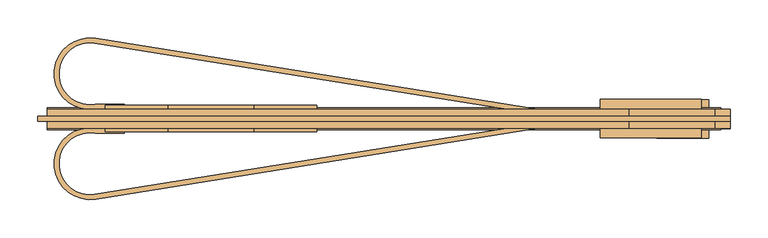
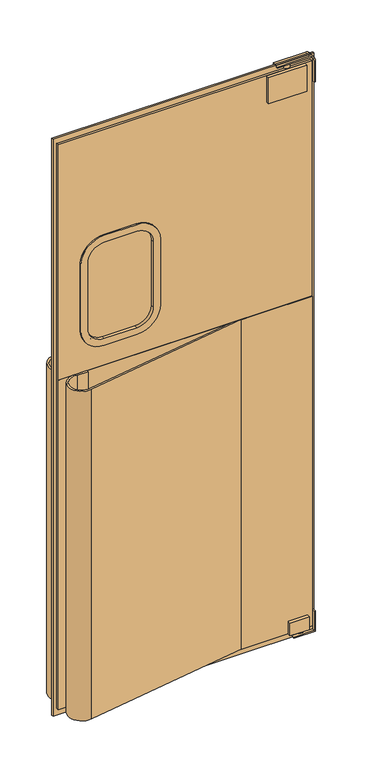
"""IFC4 building model written with IfcOpenShell, lengths in millimetres: door geometry."""

from ifc_helpers import new_model, si_unit, point, frame, frame_2d, origin, place, context, project, spatial, polyline, circle_curve, trimmed, segment, composite_curve, outline, extrude, source, transform, mapped, element, save
from ifc_brep_helpers import plane_surface, cylinder_surface, advanced_brep


def door_69798aff(model_context):
    return source(origin(), model_context, "Body", "SolidModel", [
        extrude(outline(composite_curve([segment(trimmed(circle_curve(frame_2d((1644.65, -273.05)), 82.55), [point((1727.2, -273.05))], [point((1644.65, -355.6))], False, "CARTESIAN"), True, "CONTINUOUS"), segment(polyline([(1644.65, -355.6), (1403.35, -355.6)]), True, "CONTINUOUS"), segment(trimmed(circle_curve(frame_2d((1403.35, -273.05)), 82.55), [point((1403.35, -355.6))], [point((1320.8, -273.05))], False, "CARTESIAN"), True, "CONTINUOUS"), segment(polyline([(1320.8, -273.05), (1320.8, -158.75)]), True, "CONTINUOUS"), segment(trimmed(circle_curve(frame_2d((1403.35, -158.75)), 82.55), [point((1320.8, -158.75))], [point((1403.35, -76.2))], False, "CARTESIAN"), True, "CONTINUOUS"), segment(polyline([(1403.35, -76.2), (1644.65, -76.2)]), True, "CONTINUOUS"), segment(trimmed(circle_curve(frame_2d((1644.65, -158.75)), 82.55), [point((1644.65, -76.2))], [point((1727.2, -158.75))], False, "CARTESIAN"), True, "CONTINUOUS"), segment(polyline([(1727.2, -158.75), (1727.2, -273.05)]), True, "CONTINUOUS")], self_intersect=False), holes=[composite_curve([segment(trimmed(circle_curve(frame_2d((1644.65, -273.05)), 57.15), [point((1644.65, -330.2))], [point((1701.8, -273.05))], True, "CARTESIAN"), True, "CONTINUOUS"), segment(polyline([(1701.8, -273.05), (1701.8, -158.75)]), True, "CONTINUOUS"), segment(trimmed(circle_curve(frame_2d((1644.65, -158.75)), 57.15), [point((1701.8, -158.75))], [point((1644.65, -101.6))], True, "CARTESIAN"), True, "CONTINUOUS"), segment(polyline([(1644.65, -101.6), (1403.35, -101.6)]), True, "CONTINUOUS"), segment(trimmed(circle_curve(frame_2d((1403.35, -158.75)), 57.15), [point((1403.35, -101.6))], [point((1346.2, -158.75))], True, "CARTESIAN"), True, "CONTINUOUS"), segment(polyline([(1346.2, -158.75), (1346.2, -273.05)]), True, "CONTINUOUS"), segment(trimmed(circle_curve(frame_2d((1403.35, -273.05)), 57.15), [point((1346.2, -273.05))], [point((1403.35, -330.2))], True, "CARTESIAN"), True, "CONTINUOUS"), segment(polyline([(1403.35, -330.2), (1644.65, -330.2)]), True, "CONTINUOUS")], self_intersect=False)]), frame((0.0, -27.3403808, 0.0), z_axis=(0.0, 1.0, 0.0), x_axis=(0.0, 0.0, 1.0)), (0.0, 0.0, 1.0), 34.925),
        extrude(outline(composite_curve([segment(trimmed(circle_curve(frame_2d((1403.35, -273.05)), 57.15), [point((1403.35, -330.2))], [point((1346.2, -273.05))], False, "CARTESIAN"), True, "CONTINUOUS"), segment(polyline([(1346.2, -273.05), (1346.2, -158.75)]), True, "CONTINUOUS"), segment(trimmed(circle_curve(frame_2d((1403.35, -158.75)), 57.15), [point((1346.2, -158.75))], [point((1403.35, -101.6))], False, "CARTESIAN"), True, "CONTINUOUS"), segment(polyline([(1403.35, -101.6), (1644.65, -101.6)]), True, "CONTINUOUS"), segment(trimmed(circle_curve(frame_2d((1644.65, -158.75)), 57.15), [point((1644.65, -101.6))], [point((1701.8, -158.75))], False, "CARTESIAN"), True, "CONTINUOUS"), segment(polyline([(1701.8, -158.75), (1701.8, -273.05)]), True, "CONTINUOUS"), segment(trimmed(circle_curve(frame_2d((1644.65, -273.05)), 57.15), [point((1701.8, -273.05))], [point((1644.65, -330.2))], False, "CARTESIAN"), True, "CONTINUOUS"), segment(polyline([(1644.65, -330.2), (1403.35, -330.2)]), True, "CONTINUOUS")], self_intersect=False)), frame((0.0, -16.2278808, 0.0), z_axis=(0.0, 1.0, 0.0), x_axis=(0.0, 0.0, 1.0)), (0.0, 0.0, 1.0), 12.7),
        extrude(outline(composite_curve([segment(polyline([(-369.3028232, -109.7397743), (175.6910199, -22.5778808), (215.9, -22.5778808), (-368.3, -116.0100889)]), True, "CONTINUOUS"), segment(trimmed(circle_curve(frame_2d((-375.7713947, -69.2939848)), 47.3097888), [point((-368.3, -116.0100889))], [point((-368.3, -22.5778808))], False, "CARTESIAN"), True, "CONTINUOUS"), segment(polyline([(-368.3, -22.5778808), (-330.2, -22.5778808), (-330.2, -28.9278808), (-368.8228738, -28.9278808)]), True, "CONTINUOUS"), segment(trimmed(circle_curve(frame_2d((-375.7713947, -69.2939848)), 40.9597888), [point((-368.8228738, -28.9278808))], [point((-369.3028232, -109.7397743))], True, "CARTESIAN"), True, "CONTINUOUS")], self_intersect=False)), frame((0.0, 0.0, 25.4), z_axis=(0.0, 0.0, 1.0), x_axis=(1.0, 0.0, 0.0)), (0.0, 0.0, 1.0), 1219.2),
        extrude(outline(composite_curve([segment(trimmed(circle_curve(frame_2d((-375.7713947, 49.5382233)), 40.9597888), [point((-369.3028232, 89.9840128))], [point((-368.8228738, 9.1721192))], True, "CARTESIAN"), True, "CONTINUOUS"), segment(polyline([(-368.8228738, 9.1721192), (-330.2, 9.1721192), (-330.2, 2.8221192), (-368.3, 2.8221192)]), True, "CONTINUOUS"), segment(trimmed(circle_curve(frame_2d((-375.7713947, 49.5382233)), 47.3097888), [point((-368.3, 2.8221192))], [point((-368.3, 96.2543274))], False, "CARTESIAN"), True, "CONTINUOUS"), segment(polyline([(-368.3, 96.2543274), (215.9, 2.8221192), (175.6910199, 2.8221192), (-369.3028232, 89.9840128)]), True, "CONTINUOUS")], self_intersect=False)), frame((0.0, 0.0, 25.4), z_axis=(0.0, 0.0, 1.0), x_axis=(1.0, 0.0, 0.0)), (0.0, 0.0, 1.0), 1219.2),
        extrude(outline(polyline([(441.325, -35.2778808), (373.0625, -35.2778808), (373.0625, 15.5221192), (441.325, 15.5221192), (441.325, -35.2778808)])), frame((0.0, 0.0, 23.8125), z_axis=(0.0, 0.0, 1.0), x_axis=(1.0, 0.0, 0.0)), (0.0, 0.0, 1.0), 47.625),
        extrude(outline(polyline([(428.625, -16.2278808), (415.925, -16.2278808), (415.925, -3.5278808), (428.625, -3.5278808), (428.625, -16.2278808)])), frame((0.0, 0.0, 4.7625), z_axis=(0.0, 0.0, 1.0), x_axis=(1.0, 0.0, 0.0)), (0.0, 0.0, 1.0), 19.05),
        extrude(outline(polyline([(76.2, 469.9), (76.2, 465.1375), (4.7625, 465.1375), (4.7625, 393.7), (0.0, 393.7), (0.0, 469.9), (76.2, 469.9)])), frame((0.0, -22.5778808, 0.0), z_axis=(0.0, 1.0, 0.0), x_axis=(0.0, 0.0, 1.0)), (0.0, 0.0, 1.0), 25.4),
        extrude(outline(polyline([(2133.6, 469.9), (2133.6, -444.5), (0.0, -444.5), (0.0, 469.9), (2133.6, 469.9)]), holes=[polyline([(1752.6, -50.8), (1295.4, -50.8), (1295.4, -381.0), (1752.6, -381.0), (1752.6, -50.8)])]), frame((0.0, -13.0528808, 0.0), z_axis=(0.0, 1.0, 0.0), x_axis=(0.0, 0.0, 1.0)), (0.0, 0.0, 1.0), 6.35),
        extrude(outline(polyline([(457.2, -24.1653808), (-431.8, -24.1653808), (-431.8, -22.5778808), (457.2, -22.5778808), (457.2, -24.1653808)])), frame((0.0, 0.0, 25.4), z_axis=(0.0, 0.0, 1.0), x_axis=(1.0, 0.0, 0.0)), (0.0, 0.0, 1.0), 1219.2),
        extrude(outline(polyline([(-431.8, 4.4096192), (457.2, 4.4096192), (457.2, 2.8221192), (-431.8, 2.8221192), (-431.8, 4.4096192)])), frame((0.0, 0.0, 25.4), z_axis=(0.0, 0.0, 1.0), x_axis=(1.0, 0.0, 0.0)), (0.0, 0.0, 1.0), 1219.2),
        extrude(outline(polyline([(25.4, 457.2), (2114.55, 457.2), (2114.55, -431.8), (25.4, -431.8), (25.4, 457.2)]), holes=[composite_curve([segment(trimmed(circle_curve(frame_2d((1644.65, -273.05)), 63.5), [point((1644.65, -336.55))], [point((1708.15, -273.05))], True, "CARTESIAN"), True, "CONTINUOUS"), segment(polyline([(1708.15, -273.05), (1708.15, -158.75)]), True, "CONTINUOUS"), segment(trimmed(circle_curve(frame_2d((1644.65, -158.75)), 63.5), [point((1708.15, -158.75))], [point((1644.65, -95.25))], True, "CARTESIAN"), True, "CONTINUOUS"), segment(polyline([(1644.65, -95.25), (1403.35, -95.25)]), True, "CONTINUOUS"), segment(trimmed(circle_curve(frame_2d((1403.35, -158.75)), 63.5), [point((1403.35, -95.25))], [point((1339.85, -158.75))], True, "CARTESIAN"), True, "CONTINUOUS"), segment(polyline([(1339.85, -158.75), (1339.85, -273.05)]), True, "CONTINUOUS"), segment(trimmed(circle_curve(frame_2d((1403.35, -273.05)), 63.5), [point((1339.85, -273.05))], [point((1403.35, -336.55))], True, "CARTESIAN"), True, "CONTINUOUS"), segment(polyline([(1403.35, -336.55), (1644.65, -336.55)]), True, "CONTINUOUS")], self_intersect=False)]), frame((0.0, -22.5778808, 0.0), z_axis=(0.0, 1.0, 0.0), x_axis=(0.0, 0.0, 1.0)), (0.0, 0.0, 1.0), 25.4),
        advanced_brep(
        [(374.65, -9.8778808, 2114.55), (385.7625, -9.8778808, 2114.55), (363.5375, -9.8778808, 2114.55), (363.5375, -9.8778808, 2128.8375), (385.7625, -9.8778808, 2128.8375), (374.65, -9.8778808, 2128.8375)],
        [
            (0, 1),
            (1, 2, circle_curve(frame((374.65, -9.8778808, 2114.55), z_axis=(0.0, 0.0, -1.0), x_axis=(1.0, 0.0, 0.0)), 11.1125)),
            (2, 0),
            (2, 1, circle_curve(frame((374.65, -9.8778808, 2114.55), z_axis=(0.0, 0.0, -1.0), x_axis=(1.0, 0.0, 0.0)), 11.1125)),
            (3, 4, circle_curve(frame((374.65, -9.8778808, 2128.8375), z_axis=(0.0, 0.0, 1.0), x_axis=(1.0, 0.0, 0.0)), 11.1125)),
            (4, 5),
            (5, 3),
            (4, 3, circle_curve(frame((374.65, -9.8778808, 2128.8375), z_axis=(0.0, 0.0, 1.0), x_axis=(1.0, 0.0, 0.0)), 11.1125)),
            (1, 4),
            (3, 2),
        ],
        [
            plane_surface(frame((374.65, -9.8778808, 2114.55), z_axis=(0.0, 0.0, -1.0), x_axis=(1.0, 0.0, 0.0))),
            plane_surface(frame((374.65, -9.8778808, 2128.8375), z_axis=(0.0, 0.0, 1.0), x_axis=(1.0, 0.0, 0.0))),
            cylinder_surface(frame((374.65, -9.8778808, -41.502018), z_axis=(0.0, 0.0, -1.0), x_axis=(1.0, 0.0, 0.0)), 11.1125),
        ],
        [
            (0, [[1, 2, 3]]),
            (0, [[-3, 4, -1]]),
            (1, [[5, 6, 7]]),
            (1, [[8, -7, -6]]),
            (2, [[-2, 9, -5, 10]]),
            (2, [[-4, -10, -8, -9]]),
        ],
    ),
        extrude(outline(polyline([(298.1767319, 15.5221192), (431.7148798, 15.5221192), (431.7148798, -35.2778808), (298.1767319, -35.2778808), (298.1767319, 15.5221192)])), frame((0.0, 0.0, 2019.3), z_axis=(0.0, 0.0, 1.0), x_axis=(1.0, 0.0, 0.0)), (0.0, 0.0, 1.0), 95.25),
        extrude(outline(composite_curve([segment(polyline([(2133.6, 336.55), (2128.8375, 336.55), (2128.8375, 449.2625)]), True, "CONTINUOUS"), segment(trimmed(circle_curve(frame_2d((2112.9625, 449.2625)), 15.875), [point((2128.8375, 449.2625))], [point((2112.9625, 465.1375))], True, "CARTESIAN"), True, "CONTINUOUS"), segment(polyline([(2112.9625, 465.1375), (2032.0, 465.1375), (2032.0, 469.9), (2112.9625, 469.9)]), True, "CONTINUOUS"), segment(trimmed(circle_curve(frame_2d((2112.9625, 449.2625)), 20.6375), [point((2112.9625, 469.9))], [point((2133.6, 449.2625))], False, "CARTESIAN"), True, "CONTINUOUS"), segment(polyline([(2133.6, 449.2625), (2133.6, 336.55)]), True, "CONTINUOUS")], self_intersect=False)), frame((0.0, -22.5778808, 0.0), z_axis=(0.0, 1.0, 0.0), x_axis=(0.0, 0.0, 1.0)), (0.0, 0.0, 1.0), 25.4),
    ])


if __name__ == "__main__":
    model = new_model("IFC4")
    model_context = context("Model", 3, world=origin())
    ifc_project = project(units=[si_unit("LENGTHUNIT", "METRE", prefix="MILLI")], contexts=[model_context])
    site = spatial("IfcSite", under=ifc_project)
    building = spatial("IfcBuilding", under=site)
    placement = place(None, origin())
    door_shape = door_69798aff(model_context)
    element("IfcDoor", 1, at=placement, inside=building, context=model_context, shape_type="MappedRepresentation", body=[
        mapped(door_shape, transform((0.0, 0.0, 0.0), x_axis=(1.0, 0.0, 0.0), y_axis=(0.0, 1.0, 0.0), z_axis=(0.0, 0.0, 1.0))),
    ])
    save(model, "model.ifc")
